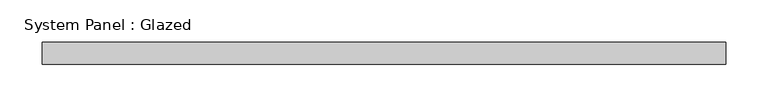
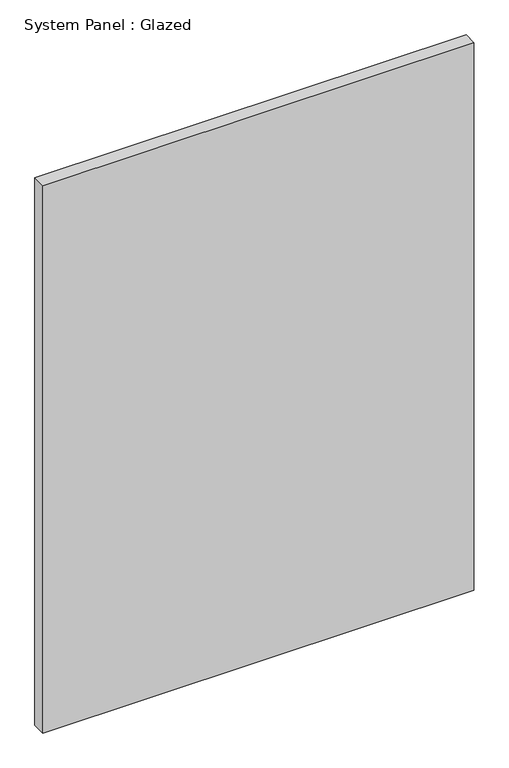
"""IFC4 building model written with IfcOpenShell, lengths in millimetres: plate geometry, System Panel : Glazed."""

from ifc_helpers import new_model, si_unit, origin, origin_with_axes, place, context, project, spatial, polyline, outline, extrude, source, transform, mapped, element, save


def system_panel_glazed_ddcbd983(model_context):
    return source(origin(), model_context, "Body", "SweptSolid", [
        extrude(outline(polyline([(402.2251713, -12.7), (-402.2251713, -12.7), (-402.2251713, 12.7), (402.2251713, 12.7), (402.2251713, -12.7)])), origin_with_axes(), (0.0, 0.0, 1.0), 1080.0),
    ])


if __name__ == "__main__":
    model = new_model("IFC4")
    model_context = context("Model", 3, world=origin())
    ifc_project = project(units=[si_unit("LENGTHUNIT", "METRE", prefix="MILLI")], contexts=[model_context])
    site = spatial("IfcSite", under=ifc_project)
    building = spatial("IfcBuilding", under=site)
    placement = place(None, origin())
    system_panel_glazed_shape = system_panel_glazed_ddcbd983(model_context)
    element("IfcPlate", 1, ObjectType="System Panel : Glazed", at=placement, inside=building, context=model_context, shape_type="MappedRepresentation", body=[
        mapped(system_panel_glazed_shape, transform((0.0, 0.0, 0.0), x_axis=(1.0, 0.0, 0.0), y_axis=(0.0, 1.0, 0.0), z_axis=(0.0, 0.0, 1.0))),
    ])
    save(model, "model.ifc")
